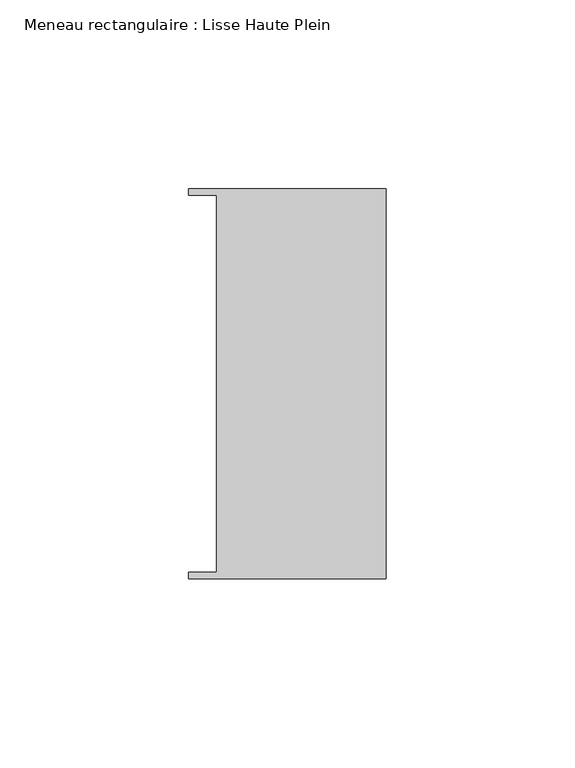
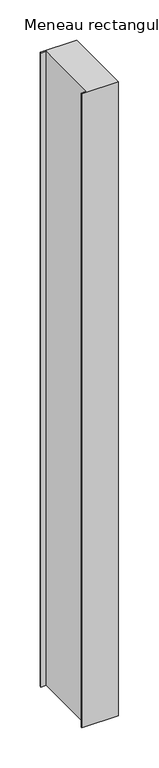
"""IFC4 building model written with IfcOpenShell, lengths in millimetres: member geometry, Meneau rectangulaire : Lisse Haute Plein."""

import ifcopenshell
import ifcopenshell.guid

model = None  # the IFC model being written
_history = None  # IfcOwnerHistory: only IFC2X3 demands one
_inside = {}  # id of a spatial element -> (the spatial element, [elements in it])
_under = {}  # id of a project, library or spatial element -> (it, [spatial elements below it])
_declared = {}  # id of a project -> (the project, [libraries it declares])
_typed = {}  # id of a type object -> (the type object, [elements of that type])
_made_of = {}  # id of a material, layer set ... -> (it, [elements and type objects made of it])


def new_model(schema):
    """Start an empty IFC model of exactly this schema.

    Asked for "IFC4X3", IfcOpenShell would pick the latest addendum, in which some entities
    have other attributes; the version numbers below select the first issue.
    IFC2X3 requires an IfcOwnerHistory on every rooted entity: one is made here for all.
    """
    global model, _history
    if schema == "IFC4X3":
        model = ifcopenshell.file(schema_version=(4, 3, 0, 0))
    else:
        model = ifcopenshell.file(schema=schema)
    _inside.clear()
    _under.clear()
    _declared.clear()
    _typed.clear()
    _made_of.clear()
    _history = None
    if model.schema == "IFC2X3":
        org = make("IfcOrganization", Name="unknown")
        user = make(
            "IfcPersonAndOrganization",
            ThePerson=make("IfcPerson", FamilyName="unknown"),
            TheOrganization=org,
        )
        app = make(
            "IfcApplication",
            ApplicationDeveloper=org,
            Version="unknown",
            ApplicationFullName="unknown",
            ApplicationIdentifier="unknown",
        )
        _history = make(
            "IfcOwnerHistory",
            OwningUser=user,
            OwningApplication=app,
            ChangeAction="ADDED",
            CreationDate=0,
        )
    return model


def make(cls, **values):
    """One entity of the class cls with the attributes given. An attribute that is None is left unset."""
    return model.create_entity(
        cls, **{name: value for name, value in values.items() if value is not None}
    )


def rooted(cls, **values):
    """An entity with a GlobalId (a new one), such as an element, a storey or a relation."""
    return make(cls, GlobalId=ifcopenshell.guid.new(), OwnerHistory=_history, **values)


def si_unit(unit_type, name, prefix=None):
    """IfcSIUnit, for example si_unit("LENGTHUNIT", "METRE", prefix="MILLI")."""
    return make("IfcSIUnit", UnitType=unit_type, Prefix=prefix, Name=name)


def assignment(units):
    """IfcUnitAssignment: the units of a project."""
    return None if units is None else make("IfcUnitAssignment", Units=units)


def point(xyz):
    """IfcCartesianPoint."""
    return None if xyz is None else make("IfcCartesianPoint", Coordinates=xyz)


def direction(xyz):
    """IfcDirection."""
    return None if xyz is None else make("IfcDirection", DirectionRatios=xyz)


def frame(location, z_axis=None, x_axis=None):
    """IfcAxis2Placement3D, a coordinate frame: its origin and axes. An axis left out is left unset."""
    return make(
        "IfcAxis2Placement3D",
        Location=point(location),
        Axis=direction(z_axis),
        RefDirection=direction(x_axis),
    )


def origin():
    """The frame at (0, 0, 0) with its axes left unset."""
    return frame((0.0, 0.0, 0.0))


def place(relative_to, where):
    """IfcLocalPlacement: puts the frame where relative to a parent placement (None: the world)."""
    return make(
        "IfcLocalPlacement", PlacementRelTo=relative_to, RelativePlacement=where
    )


def context(
    kind, dimensions, precision=None, world=None, true_north=None, identifier=None
):
    """IfcGeometricRepresentationContext, for example the 3D "Model" context."""
    return make(
        "IfcGeometricRepresentationContext",
        ContextIdentifier=identifier,
        ContextType=kind,
        CoordinateSpaceDimension=dimensions,
        Precision=precision,
        WorldCoordinateSystem=world,
        TrueNorth=true_north,
    )


def project(units=None, contexts=None):
    """IfcProject with its units and contexts."""
    return rooted(
        "IfcProject",
        Name="project",
        RepresentationContexts=contexts,
        UnitsInContext=assignment(units),
    )


def spatial(cls, under=None, at=None, **own):
    """A site, building, storey or space (cls), placed at a placement, below another one or the project."""
    s = rooted(cls, ObjectPlacement=at, **own)
    if under is not None:
        _under.setdefault(under.id(), (under, []))[1].append(s)
    return s


def polyline(points):
    """IfcPolyline through the points."""
    return make("IfcPolyline", Points=[point(p) for p in points])


def outline(outer, holes=None, kind="AREA"):
    """IfcArbitraryClosedProfileDef: a profile drawn as a closed curve; with holes, ...WithVoids."""
    if holes is None:
        return make("IfcArbitraryClosedProfileDef", ProfileType=kind, OuterCurve=outer)
    return make(
        "IfcArbitraryProfileDefWithVoids",
        ProfileType=kind,
        OuterCurve=outer,
        InnerCurves=holes,
    )


def extrude(swept, where, along, depth):
    """IfcExtrudedAreaSolid: the profile swept, set in the frame where, extruded along a direction by depth."""
    return make(
        "IfcExtrudedAreaSolid",
        SweptArea=swept,
        Position=where,
        ExtrudedDirection=direction(along),
        Depth=depth,
    )


def shape(context_of_items, identifier, shape_type, items):
    """IfcShapeRepresentation: the items that make up one representation, for example the "Body"."""
    return make(
        "IfcShapeRepresentation",
        ContextOfItems=context_of_items,
        RepresentationIdentifier=identifier,
        RepresentationType=shape_type,
        Items=items,
    )


def source(mapping_origin, context_of_items, identifier, shape_type, items):
    """IfcRepresentationMap: a shape defined once, which mapped items show again and again."""
    return make(
        "IfcRepresentationMap",
        MappingOrigin=mapping_origin,
        MappedRepresentation=shape(context_of_items, identifier, shape_type, items),
    )


def transform(
    local_origin,
    x_axis=None,
    y_axis=None,
    z_axis=None,
    scale=None,
    scale2=None,
    scale3=None,
    uniform=True,
):
    """IfcCartesianTransformationOperator3D, or its non-uniform kind. x_axis, y_axis, z_axis: its Axis1, 2, 3."""
    if uniform:
        return make(
            "IfcCartesianTransformationOperator3D",
            Axis1=direction(x_axis),
            Axis2=direction(y_axis),
            LocalOrigin=point(local_origin),
            Scale=scale,
            Axis3=direction(z_axis),
        )
    return make(
        "IfcCartesianTransformationOperator3DnonUniform",
        Axis1=direction(x_axis),
        Axis2=direction(y_axis),
        LocalOrigin=point(local_origin),
        Scale=scale,
        Axis3=direction(z_axis),
        Scale2=scale2,
        Scale3=scale3,
    )


def mapped(mapping_source, mapping_target):
    """IfcMappedItem: shows the shape of a source again, moved by a transform."""
    return make(
        "IfcMappedItem", MappingSource=mapping_source, MappingTarget=mapping_target
    )


def made_of(thing, what):
    """Note that an element or type object is made of a material, layer set ...; save() writes the relation."""
    if what is not None:
        _made_of.setdefault(what.id(), (what, []))[1].append(thing)
    return thing


def element(
    cls,
    number,
    at=None,
    inside=None,
    cuts=None,
    type_object=None,
    material=None,
    context=None,
    identifier="Body",
    shape_type=None,
    held_by="IfcProductDefinitionShape",
    body=None,
    shapes=None,
    **own,
):
    """One element of the class cls, such as IfcWall. Its Tag is "e" and its number.

    at: its placement. inside: the storey or other place that contains it. cuts: it is an
    opening in that element (IfcRelVoidsElement). A single representation is given by context,
    identifier, shape_type and body (its items); several are given by shapes. held_by: the class
    of the entity that holds the representations. save() writes the other relations.
    """
    e = rooted(cls, Tag="e%d" % number, ObjectPlacement=at, **own)
    if body is not None:
        shapes = [shape(context, identifier, shape_type, body)]
    if shapes is not None:
        e.Representation = make(held_by, Representations=shapes)
    if inside is not None:
        _inside.setdefault(inside.id(), (inside, []))[1].append(e)
    if cuts is not None:
        rooted(
            "IfcRelVoidsElement", RelatingBuildingElement=cuts, RelatedOpeningElement=e
        )
    if type_object is not None:
        _typed.setdefault(type_object.id(), (type_object, []))[1].append(e)
    return made_of(e, material)


def aggregate(whole, parts):
    """IfcRelAggregates: a whole, such as a stair, and the parts it consists of."""
    return rooted("IfcRelAggregates", RelatingObject=whole, RelatedObjects=parts)


def save(model, path):
    """Write the relations noted so far, then the file.

    IfcRelAggregates (storeys below a building ...), IfcRelContainedInSpatialStructure (elements
    in a storey), IfcRelDefinesByType, IfcRelAssociatesMaterial and IfcRelDeclares: one each for
    every whole, place, type object, material and project.
    """
    for whole, parts in _under.values():
        aggregate(whole, parts)
    for where, things in _inside.values():
        rooted(
            "IfcRelContainedInSpatialStructure",
            RelatedElements=things,
            RelatingStructure=where,
        )
    for kind, things in _typed.values():
        rooted("IfcRelDefinesByType", RelatedObjects=things, RelatingType=kind)
    for what, things in _made_of.values():
        rooted("IfcRelAssociatesMaterial", RelatedObjects=things, RelatingMaterial=what)
    for by, libraries in _declared.values():
        rooted("IfcRelDeclares", RelatingContext=by, RelatedDefinitions=libraries)
    model.write(path)


def meneau_rectangulaire_lisse_haute_plein_8838d93c(model_context):
    return source(origin(), model_context, "Body", "SweptSolid", [
        extrude(outline(polyline([(-44.9064331, 49.9174073), (-52.3, 49.9174073), (-52.3, 51.585934), (0.0, 51.585934), (0.0, -51.6011428), (-52.3, -51.6011428), (-52.3, -49.9174073), (-44.9064331, -49.9174073), (-44.9064331, 49.9174073)])), frame((0.0, 0.0, -960.1539609), z_axis=(0.0, 0.0, 1.0), x_axis=(1.0, 0.0, 0.0)), (0.0, 0.0, 1.0), 960.1539609),
    ])


if __name__ == "__main__":
    model = new_model("IFC4")
    model_context = context("Model", 3, world=origin())
    ifc_project = project(units=[si_unit("LENGTHUNIT", "METRE", prefix="MILLI")], contexts=[model_context])
    site = spatial("IfcSite", under=ifc_project)
    building = spatial("IfcBuilding", under=site)
    placement = place(None, origin())
    meneau_rectangulaire_lisse_haute_plein_shape = meneau_rectangulaire_lisse_haute_plein_8838d93c(model_context)
    element("IfcMember", 1, ObjectType="Meneau rectangulaire : Lisse Haute Plein", at=placement, inside=building, context=model_context, shape_type="MappedRepresentation", body=[
        mapped(meneau_rectangulaire_lisse_haute_plein_shape, transform((0.0, 0.0, 0.0), x_axis=(1.0, 0.0, 0.0), y_axis=(0.0, 1.0, 0.0), z_axis=(0.0, 0.0, 1.0))),
    ])
    save(model, "model.ifc")
